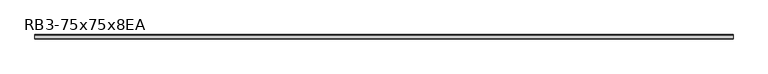
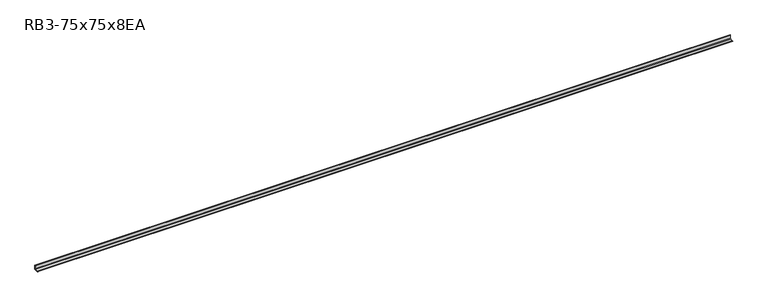
"""IFC4 building model written with IfcOpenShell, lengths in millimetres: member geometry, RB3-75x75x8EA."""

from ifc_helpers import new_model, si_unit, point, frame, frame_2d, origin, place, context, project, spatial, polyline, circle_curve, trimmed, segment, composite_curve, outline, extrude, source, transform, mapped, element, save


def rb3_75x75x8ea_86b44eb5(model_context):
    return source(origin(), model_context, "Body", "SweptSolid", [
        extrude(outline(composite_curve([segment(polyline([(21.3, -21.3), (-53.7, -21.3), (-53.7, -18.3)]), True, "CONTINUOUS"), segment(trimmed(circle_curve(frame_2d((-48.7, -18.3)), 5.0), [point((-53.7, -18.3))], [point((-48.7, -13.3))], False, "CARTESIAN"), True, "CONTINUOUS"), segment(polyline([(-48.7, -13.3), (5.3, -13.3)]), True, "CONTINUOUS"), segment(trimmed(circle_curve(frame_2d((5.3, -5.3)), 8.0), [point((5.3, -13.3))], [point((13.3, -5.3))], True, "CARTESIAN"), True, "CONTINUOUS"), segment(polyline([(13.3, -5.3), (13.3, 48.7)]), True, "CONTINUOUS"), segment(trimmed(circle_curve(frame_2d((18.3, 48.7)), 5.0), [point((13.3, 48.7))], [point((18.3, 53.7))], False, "CARTESIAN"), True, "CONTINUOUS"), segment(polyline([(18.3, 53.7), (21.3, 53.7), (21.3, -21.3)]), True, "CONTINUOUS")], self_intersect=False)), frame((-5957.9215861, 0.0, 0.0), z_axis=(1.0, 0.0, 0.0), x_axis=(0.0, 1.0, 0.0)), (0.0, 0.0, 1.0), 12036.9215861),
    ])


if __name__ == "__main__":
    model = new_model("IFC4")
    model_context = context("Model", 3, world=origin())
    ifc_project = project(units=[si_unit("LENGTHUNIT", "METRE", prefix="MILLI")], contexts=[model_context])
    site = spatial("IfcSite", under=ifc_project)
    building = spatial("IfcBuilding", under=site)
    placement = place(None, origin())
    rb3_75x75x8ea_shape = rb3_75x75x8ea_86b44eb5(model_context)
    element("IfcMember", 1, ObjectType="RB3-75x75x8EA", at=placement, inside=building, context=model_context, shape_type="MappedRepresentation", body=[
        mapped(rb3_75x75x8ea_shape, transform((0.0, 0.0, 0.0), x_axis=(1.0, 0.0, 0.0), y_axis=(0.0, 1.0, 0.0), z_axis=(0.0, 0.0, 1.0))),
    ])
    save(model, "model.ifc")
